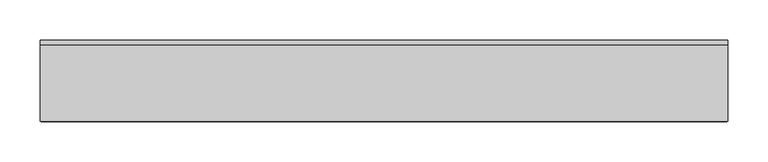
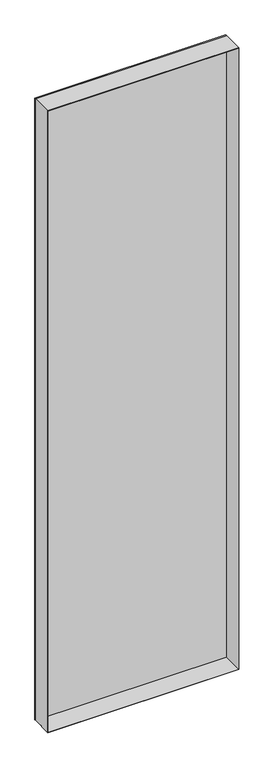
"""IFC4 building model written with IfcOpenShell, lengths in millimetres: plate geometry."""

from ifc_helpers import new_model, si_unit, frame, origin, origin_with_axes, place, context, project, spatial, polyline, outline, extrude, source, transform, mapped, element, save


def plate_498492b2(model_context):
    return source(origin(), model_context, "Body", "SweptSolid", [
        extrude(outline(polyline([(2931.0, -425.3847577), (0.0, -425.3847577), (0.0, 425.3847577), (2931.0, 425.3847577), (2931.0, -425.3847577)]), holes=[polyline([(2930.0, -424.3847577), (2930.0, 424.3847577), (1.0, 424.3847577), (1.0, -424.3847577), (2930.0, -424.3847577)])]), frame((0.0, -50.0, 0.0), z_axis=(0.0, 1.0, 0.0), x_axis=(0.0, 0.0, 1.0)), (0.0, 0.0, 1.0), 94.0),
        extrude(outline(polyline([(425.3847577, 44.0), (-425.3847577, 44.0), (-425.3847577, 50.0), (425.3847577, 50.0), (425.3847577, 44.0)])), origin_with_axes(), (0.0, 0.0, 1.0), 2931.0),
    ])


if __name__ == "__main__":
    model = new_model("IFC4")
    model_context = context("Model", 3, world=origin())
    ifc_project = project(units=[si_unit("LENGTHUNIT", "METRE", prefix="MILLI")], contexts=[model_context])
    site = spatial("IfcSite", under=ifc_project)
    building = spatial("IfcBuilding", under=site)
    placement = place(None, origin())
    plate_shape = plate_498492b2(model_context)
    element("IfcPlate", 1, at=placement, inside=building, context=model_context, shape_type="MappedRepresentation", body=[
        mapped(plate_shape, transform((0.0, 0.0, 0.0), x_axis=(1.0, 0.0, 0.0), y_axis=(0.0, 1.0, 0.0), z_axis=(0.0, 0.0, 1.0))),
    ])
    save(model, "model.ifc")
